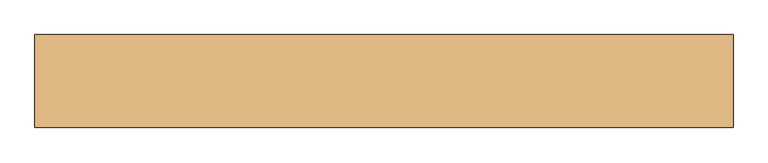
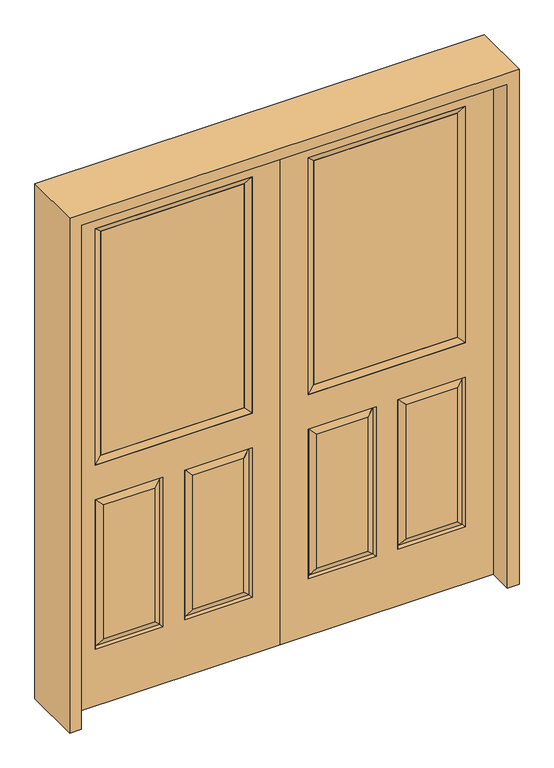
"""IFC4 building model written with IfcOpenShell, lengths in millimetres: door geometry."""

import ifcopenshell
import ifcopenshell.guid

model = None  # the IFC model being written
_history = None  # IfcOwnerHistory: only IFC2X3 demands one
_inside = {}  # id of a spatial element -> (the spatial element, [elements in it])
_under = {}  # id of a project, library or spatial element -> (it, [spatial elements below it])
_declared = {}  # id of a project -> (the project, [libraries it declares])
_typed = {}  # id of a type object -> (the type object, [elements of that type])
_made_of = {}  # id of a material, layer set ... -> (it, [elements and type objects made of it])


def new_model(schema):
    """Start an empty IFC model of exactly this schema.

    Asked for "IFC4X3", IfcOpenShell would pick the latest addendum, in which some entities
    have other attributes; the version numbers below select the first issue.
    IFC2X3 requires an IfcOwnerHistory on every rooted entity: one is made here for all.
    """
    global model, _history
    if schema == "IFC4X3":
        model = ifcopenshell.file(schema_version=(4, 3, 0, 0))
    else:
        model = ifcopenshell.file(schema=schema)
    _inside.clear()
    _under.clear()
    _declared.clear()
    _typed.clear()
    _made_of.clear()
    _history = None
    if model.schema == "IFC2X3":
        org = make("IfcOrganization", Name="unknown")
        user = make(
            "IfcPersonAndOrganization",
            ThePerson=make("IfcPerson", FamilyName="unknown"),
            TheOrganization=org,
        )
        app = make(
            "IfcApplication",
            ApplicationDeveloper=org,
            Version="unknown",
            ApplicationFullName="unknown",
            ApplicationIdentifier="unknown",
        )
        _history = make(
            "IfcOwnerHistory",
            OwningUser=user,
            OwningApplication=app,
            ChangeAction="ADDED",
            CreationDate=0,
        )
    return model


def make(cls, **values):
    """One entity of the class cls with the attributes given. An attribute that is None is left unset."""
    return model.create_entity(
        cls, **{name: value for name, value in values.items() if value is not None}
    )


def rooted(cls, **values):
    """An entity with a GlobalId (a new one), such as an element, a storey or a relation."""
    return make(cls, GlobalId=ifcopenshell.guid.new(), OwnerHistory=_history, **values)


def si_unit(unit_type, name, prefix=None):
    """IfcSIUnit, for example si_unit("LENGTHUNIT", "METRE", prefix="MILLI")."""
    return make("IfcSIUnit", UnitType=unit_type, Prefix=prefix, Name=name)


def assignment(units):
    """IfcUnitAssignment: the units of a project."""
    return None if units is None else make("IfcUnitAssignment", Units=units)


def point(xyz):
    """IfcCartesianPoint."""
    return None if xyz is None else make("IfcCartesianPoint", Coordinates=xyz)


def direction(xyz):
    """IfcDirection."""
    return None if xyz is None else make("IfcDirection", DirectionRatios=xyz)


def frame(location, z_axis=None, x_axis=None):
    """IfcAxis2Placement3D, a coordinate frame: its origin and axes. An axis left out is left unset."""
    return make(
        "IfcAxis2Placement3D",
        Location=point(location),
        Axis=direction(z_axis),
        RefDirection=direction(x_axis),
    )


def origin():
    """The frame at (0, 0, 0) with its axes left unset."""
    return frame((0.0, 0.0, 0.0))


def place(relative_to, where):
    """IfcLocalPlacement: puts the frame where relative to a parent placement (None: the world)."""
    return make(
        "IfcLocalPlacement", PlacementRelTo=relative_to, RelativePlacement=where
    )


def context(
    kind, dimensions, precision=None, world=None, true_north=None, identifier=None
):
    """IfcGeometricRepresentationContext, for example the 3D "Model" context."""
    return make(
        "IfcGeometricRepresentationContext",
        ContextIdentifier=identifier,
        ContextType=kind,
        CoordinateSpaceDimension=dimensions,
        Precision=precision,
        WorldCoordinateSystem=world,
        TrueNorth=true_north,
    )


def project(units=None, contexts=None):
    """IfcProject with its units and contexts."""
    return rooted(
        "IfcProject",
        Name="project",
        RepresentationContexts=contexts,
        UnitsInContext=assignment(units),
    )


def spatial(cls, under=None, at=None, **own):
    """A site, building, storey or space (cls), placed at a placement, below another one or the project."""
    s = rooted(cls, ObjectPlacement=at, **own)
    if under is not None:
        _under.setdefault(under.id(), (under, []))[1].append(s)
    return s


def polyline(points):
    """IfcPolyline through the points."""
    return make("IfcPolyline", Points=[point(p) for p in points])


def outline(outer, holes=None, kind="AREA"):
    """IfcArbitraryClosedProfileDef: a profile drawn as a closed curve; with holes, ...WithVoids."""
    if holes is None:
        return make("IfcArbitraryClosedProfileDef", ProfileType=kind, OuterCurve=outer)
    return make(
        "IfcArbitraryProfileDefWithVoids",
        ProfileType=kind,
        OuterCurve=outer,
        InnerCurves=holes,
    )


def extrude(swept, where, along, depth):
    """IfcExtrudedAreaSolid: the profile swept, set in the frame where, extruded along a direction by depth."""
    return make(
        "IfcExtrudedAreaSolid",
        SweptArea=swept,
        Position=where,
        ExtrudedDirection=direction(along),
        Depth=depth,
    )


def faces_of(points, faces, orient=None, outer=None):
    """IfcFace entities. A face is a list of loops; a loop is a list of indices into points, from 0.

    orient and outer hold one flag for each loop. By default every Orientation is true, the
    first loop of a face is its IfcFaceOuterBound and the others are IfcFaceBound.
    """
    made = []
    for i, loops in enumerate(faces):
        bounds = []
        for j, loop in enumerate(loops):
            is_outer = j == 0 if outer is None else outer[i][j]
            bounds.append(
                make(
                    "IfcFaceOuterBound" if is_outer else "IfcFaceBound",
                    Bound=make("IfcPolyLoop", Polygon=[points[k] for k in loop]),
                    Orientation=True if orient is None else orient[i][j],
                )
            )
        made.append(make("IfcFace", Bounds=bounds))
    return made


def faceted_brep(points, faces, orient=None, outer=None, voids=None):
    """IfcFacetedBrep: a solid bounded by flat faces; with voids (closed shells), ...WithVoids."""
    shared = [point(p) for p in points]
    hull = make("IfcClosedShell", CfsFaces=faces_of(shared, faces, orient, outer))
    if voids is None:
        return make("IfcFacetedBrep", Outer=hull)
    return make(
        "IfcFacetedBrepWithVoids",
        Outer=hull,
        Voids=[
            make(cls, CfsFaces=faces_of(shared, fs, o, b)) for cls, fs, o, b in voids
        ],
    )


def shape(context_of_items, identifier, shape_type, items):
    """IfcShapeRepresentation: the items that make up one representation, for example the "Body"."""
    return make(
        "IfcShapeRepresentation",
        ContextOfItems=context_of_items,
        RepresentationIdentifier=identifier,
        RepresentationType=shape_type,
        Items=items,
    )


def source(mapping_origin, context_of_items, identifier, shape_type, items):
    """IfcRepresentationMap: a shape defined once, which mapped items show again and again."""
    return make(
        "IfcRepresentationMap",
        MappingOrigin=mapping_origin,
        MappedRepresentation=shape(context_of_items, identifier, shape_type, items),
    )


def transform(
    local_origin,
    x_axis=None,
    y_axis=None,
    z_axis=None,
    scale=None,
    scale2=None,
    scale3=None,
    uniform=True,
):
    """IfcCartesianTransformationOperator3D, or its non-uniform kind. x_axis, y_axis, z_axis: its Axis1, 2, 3."""
    if uniform:
        return make(
            "IfcCartesianTransformationOperator3D",
            Axis1=direction(x_axis),
            Axis2=direction(y_axis),
            LocalOrigin=point(local_origin),
            Scale=scale,
            Axis3=direction(z_axis),
        )
    return make(
        "IfcCartesianTransformationOperator3DnonUniform",
        Axis1=direction(x_axis),
        Axis2=direction(y_axis),
        LocalOrigin=point(local_origin),
        Scale=scale,
        Axis3=direction(z_axis),
        Scale2=scale2,
        Scale3=scale3,
    )


def mapped(mapping_source, mapping_target):
    """IfcMappedItem: shows the shape of a source again, moved by a transform."""
    return make(
        "IfcMappedItem", MappingSource=mapping_source, MappingTarget=mapping_target
    )


def made_of(thing, what):
    """Note that an element or type object is made of a material, layer set ...; save() writes the relation."""
    if what is not None:
        _made_of.setdefault(what.id(), (what, []))[1].append(thing)
    return thing


def element(
    cls,
    number,
    at=None,
    inside=None,
    cuts=None,
    type_object=None,
    material=None,
    context=None,
    identifier="Body",
    shape_type=None,
    held_by="IfcProductDefinitionShape",
    body=None,
    shapes=None,
    **own,
):
    """One element of the class cls, such as IfcWall. Its Tag is "e" and its number.

    at: its placement. inside: the storey or other place that contains it. cuts: it is an
    opening in that element (IfcRelVoidsElement). A single representation is given by context,
    identifier, shape_type and body (its items); several are given by shapes. held_by: the class
    of the entity that holds the representations. save() writes the other relations.
    """
    e = rooted(cls, Tag="e%d" % number, ObjectPlacement=at, **own)
    if body is not None:
        shapes = [shape(context, identifier, shape_type, body)]
    if shapes is not None:
        e.Representation = make(held_by, Representations=shapes)
    if inside is not None:
        _inside.setdefault(inside.id(), (inside, []))[1].append(e)
    if cuts is not None:
        rooted(
            "IfcRelVoidsElement", RelatingBuildingElement=cuts, RelatedOpeningElement=e
        )
    if type_object is not None:
        _typed.setdefault(type_object.id(), (type_object, []))[1].append(e)
    return made_of(e, material)


def aggregate(whole, parts):
    """IfcRelAggregates: a whole, such as a stair, and the parts it consists of."""
    return rooted("IfcRelAggregates", RelatingObject=whole, RelatedObjects=parts)


def save(model, path):
    """Write the relations noted so far, then the file.

    IfcRelAggregates (storeys below a building ...), IfcRelContainedInSpatialStructure (elements
    in a storey), IfcRelDefinesByType, IfcRelAssociatesMaterial and IfcRelDeclares: one each for
    every whole, place, type object, material and project.
    """
    for whole, parts in _under.values():
        aggregate(whole, parts)
    for where, things in _inside.values():
        rooted(
            "IfcRelContainedInSpatialStructure",
            RelatedElements=things,
            RelatingStructure=where,
        )
    for kind, things in _typed.values():
        rooted("IfcRelDefinesByType", RelatedObjects=things, RelatingType=kind)
    for what, things in _made_of.values():
        rooted("IfcRelAssociatesMaterial", RelatedObjects=things, RelatingMaterial=what)
    for by, libraries in _declared.values():
        rooted("IfcRelDeclares", RelatingContext=by, RelatedDefinitions=libraries)
    model.write(path)


def door_9ffd7a18(model_context):
    return source(origin(), model_context, "Body", "SolidModel", [
        faceted_brep([(812.8, -22.225, 0.0), (812.8, -22.225, 2032.0), (0.0, -22.225, 2032.0), (0.0, -22.225, 0.0), (705.739, -22.225, 971.55), (107.061, -22.225, 971.55), (107.061, -22.225, 1925.574), (705.739, -22.225, 1925.574), (705.739, -22.225, 831.85), (705.739, -22.225, 228.6), (447.675, -22.225, 228.6), (447.675, -22.225, 831.85), (365.125, -22.225, 831.85), (365.125, -22.225, 228.6), (107.061, -22.225, 228.6), (107.061, -22.225, 831.85), (479.425, -22.225, 800.1), (479.425, -22.225, 260.35), (673.989, -22.225, 260.35), (673.989, -22.225, 800.1), (138.811, -22.225, 800.1), (138.811, -22.225, 260.35), (333.375, -22.225, 260.35), (333.375, -22.225, 800.1), (0.0, 22.225, 0.0), (812.8, 22.225, 0.0), (0.0, 22.225, 2032.0), (812.8, 22.225, 2032.0), (705.739, 22.225, 1925.574), (705.739, 22.225, 971.55), (107.061, 22.225, 971.55), (107.061, 22.225, 1925.574), (698.59525, -12.7449236, 824.70625), (454.81875, -12.7449236, 824.70625), (698.59525, -12.7449236, 235.74375), (454.81875, -12.7449236, 235.74375), (114.20475, -12.7449236, 824.70625), (357.98125, -12.7449236, 824.70625), (357.98125, -12.7449236, 235.74375), (114.20475, -12.7449236, 235.74375), (447.675, 22.225, 831.85), (447.675, 22.225, 228.6), (705.739, 22.225, 228.6), (705.739, 22.225, 831.85), (107.061, 22.225, 831.85), (107.061, 22.225, 228.6), (365.125, 22.225, 228.6), (365.125, 22.225, 831.85), (673.989, 22.225, 800.1), (673.989, 22.225, 260.35), (479.425, 22.225, 260.35), (479.425, 22.225, 800.1), (333.375, 22.225, 800.1), (333.375, 22.225, 260.35), (138.811, 22.225, 260.35), (138.811, 22.225, 800.1), (698.59525, 12.7449236, 824.70625), (454.81875, 12.7449236, 824.70625), (454.81875, 12.7449236, 235.74375), (698.59525, 12.7449236, 235.74375), (114.20475, 12.7449236, 824.70625), (357.98125, 12.7449236, 824.70625), (114.20475, 12.7449236, 235.74375), (357.98125, 12.7449236, 235.74375)], [[[0, 1, 2, 3], [4, 5, 6, 7], [8, 9, 10, 11], [12, 13, 14, 15]], [[16, 17, 18, 19]], [[20, 21, 22, 23]], [[3, 24, 25, 0]], [[2, 26, 24, 3]], [[0, 25, 27, 1]], [[7, 28, 29, 4]], [[5, 30, 31, 6]], [[4, 29, 30, 5]], [[16, 19, 32, 33]], [[19, 18, 34, 32]], [[35, 34, 18, 17]], [[33, 35, 17, 16]], [[32, 8, 11, 33]], [[11, 10, 35, 33]], [[10, 9, 34, 35]], [[32, 34, 9, 8]], [[36, 20, 23, 37]], [[23, 22, 38, 37]], [[22, 21, 39, 38]], [[36, 39, 21, 20]], [[37, 12, 15, 36]], [[15, 14, 39, 36]], [[38, 39, 14, 13]], [[37, 38, 13, 12]], [[25, 24, 26, 27], [29, 28, 31, 30], [40, 41, 42, 43], [44, 45, 46, 47]], [[48, 49, 50, 51]], [[52, 53, 54, 55]], [[56, 48, 51, 57]], [[51, 50, 58, 57]], [[50, 49, 59, 58]], [[56, 59, 49, 48]], [[57, 40, 43, 56]], [[43, 42, 59, 56]], [[58, 59, 42, 41]], [[57, 58, 41, 40]], [[52, 55, 60, 61]], [[55, 54, 62, 60]], [[63, 62, 54, 53]], [[61, 63, 53, 52]], [[60, 44, 47, 61]], [[47, 46, 63, 61]], [[46, 45, 62, 63]], [[60, 62, 45, 44]], [[1, 27, 26, 2]], [[6, 31, 28, 7]]]),
        extrude(outline(polyline([(132.461, -12.7), (132.461, 12.7), (680.339, 12.7), (680.339, -12.7), (132.461, -12.7)])), frame((0.0, 0.0, 996.95), z_axis=(0.0, 0.0, 1.0), x_axis=(1.0, 0.0, 0.0)), (0.0, 0.0, 1.0), 903.224),
        faceted_brep([(705.739, -22.225, 1925.574), (705.739, -22.225, 971.55), (705.739, 22.225, 971.55), (705.739, 22.225, 1925.574), (107.061, -22.225, 971.55), (107.061, 22.225, 971.55), (132.461, 12.7, 996.95), (680.339, 12.7, 996.95), (107.061, -22.225, 1925.574), (107.061, 22.225, 1925.574), (680.339, -12.7, 996.95), (132.461, -12.7, 996.95), (680.339, -12.7, 1900.174), (132.461, -12.7, 1900.174), (680.339, 12.7, 1900.174), (132.461, 12.7, 1900.174)], [[[0, 1, 2, 3]], [[1, 4, 5, 2]], [[2, 5, 6, 7]], [[4, 8, 9, 5]], [[10, 11, 4, 1]], [[12, 10, 1, 0]], [[11, 13, 8, 4]], [[7, 6, 11, 10]], [[14, 7, 10, 12]], [[6, 15, 13, 11]], [[3, 2, 7, 14]], [[5, 9, 15, 6]], [[8, 0, 3, 9]], [[13, 12, 0, 8]], [[15, 14, 12, 13]], [[9, 3, 14, 15]]]),
        faceted_brep([(-812.8, -22.225, 0.0), (0.0, -22.225, 0.0), (0.0, -22.225, 2032.0), (-812.8, -22.225, 2032.0), (-705.739, -22.225, 971.55), (-705.739, -22.225, 1925.574), (-107.061, -22.225, 1925.574), (-107.061, -22.225, 971.55), (-705.739, -22.225, 831.85), (-447.675, -22.225, 831.85), (-447.675, -22.225, 228.6), (-705.739, -22.225, 228.6), (-365.125, -22.225, 831.85), (-107.061, -22.225, 831.85), (-107.061, -22.225, 228.6), (-365.125, -22.225, 228.6), (-479.425, -22.225, 800.1), (-673.989, -22.225, 800.1), (-673.989, -22.225, 260.35), (-479.425, -22.225, 260.35), (-138.811, -22.225, 800.1), (-333.375, -22.225, 800.1), (-333.375, -22.225, 260.35), (-138.811, -22.225, 260.35), (-812.8, 22.225, 0.0), (0.0, 22.225, 0.0), (0.0, 22.225, 2032.0), (-812.8, 22.225, 2032.0), (-705.739, 22.225, 971.55), (-705.739, 22.225, 1925.574), (-107.061, 22.225, 1925.574), (-107.061, 22.225, 971.55), (-454.81875, -12.7449236, 824.70625), (-698.59525, -12.7449236, 824.70625), (-698.59525, -12.7449236, 235.74375), (-454.81875, -12.7449236, 235.74375), (-114.20475, -12.7449236, 824.70625), (-357.98125, -12.7449236, 824.70625), (-357.98125, -12.7449236, 235.74375), (-114.20475, -12.7449236, 235.74375), (-447.675, 22.225, 831.85), (-705.739, 22.225, 831.85), (-705.739, 22.225, 228.6), (-447.675, 22.225, 228.6), (-107.061, 22.225, 831.85), (-365.125, 22.225, 831.85), (-365.125, 22.225, 228.6), (-107.061, 22.225, 228.6), (-673.989, 22.225, 800.1), (-479.425, 22.225, 800.1), (-479.425, 22.225, 260.35), (-673.989, 22.225, 260.35), (-333.375, 22.225, 800.1), (-138.811, 22.225, 800.1), (-138.811, 22.225, 260.35), (-333.375, 22.225, 260.35), (-698.59525, 12.7449236, 824.70625), (-454.81875, 12.7449236, 824.70625), (-454.81875, 12.7449236, 235.74375), (-698.59525, 12.7449236, 235.74375), (-357.98125, 12.7449236, 824.70625), (-114.20475, 12.7449236, 824.70625), (-114.20475, 12.7449236, 235.74375), (-357.98125, 12.7449236, 235.74375)], [[[0, 1, 2, 3], [4, 5, 6, 7], [8, 9, 10, 11], [12, 13, 14, 15]], [[16, 17, 18, 19]], [[20, 21, 22, 23]], [[1, 0, 24, 25]], [[2, 1, 25, 26]], [[0, 3, 27, 24]], [[5, 4, 28, 29]], [[7, 6, 30, 31]], [[4, 7, 31, 28]], [[16, 32, 33, 17]], [[17, 33, 34, 18]], [[35, 19, 18, 34]], [[32, 16, 19, 35]], [[33, 32, 9, 8]], [[9, 32, 35, 10]], [[10, 35, 34, 11]], [[33, 8, 11, 34]], [[36, 37, 21, 20]], [[21, 37, 38, 22]], [[22, 38, 39, 23]], [[36, 20, 23, 39]], [[37, 36, 13, 12]], [[13, 36, 39, 14]], [[38, 15, 14, 39]], [[37, 12, 15, 38]], [[24, 27, 26, 25], [28, 31, 30, 29], [40, 41, 42, 43], [44, 45, 46, 47]], [[48, 49, 50, 51]], [[52, 53, 54, 55]], [[56, 57, 49, 48]], [[49, 57, 58, 50]], [[50, 58, 59, 51]], [[56, 48, 51, 59]], [[57, 56, 41, 40]], [[41, 56, 59, 42]], [[58, 43, 42, 59]], [[57, 40, 43, 58]], [[52, 60, 61, 53]], [[53, 61, 62, 54]], [[63, 55, 54, 62]], [[60, 52, 55, 63]], [[61, 60, 45, 44]], [[45, 60, 63, 46]], [[46, 63, 62, 47]], [[61, 44, 47, 62]], [[3, 2, 26, 27]], [[6, 5, 29, 30]]]),
        extrude(outline(polyline([(-132.461, -12.7), (-680.339, -12.7), (-680.339, 12.7), (-132.461, 12.7), (-132.461, -12.7)])), frame((0.0, 0.0, 996.95), z_axis=(0.0, 0.0, 1.0), x_axis=(1.0, 0.0, 0.0)), (0.0, 0.0, 1.0), 903.224),
        faceted_brep([(-705.739, -22.225, 1925.574), (-705.739, 22.225, 1925.574), (-705.739, 22.225, 971.55), (-705.739, -22.225, 971.55), (-107.061, 22.225, 971.55), (-107.061, -22.225, 971.55), (-680.339, 12.7, 996.95), (-132.461, 12.7, 996.95), (-107.061, 22.225, 1925.574), (-107.061, -22.225, 1925.574), (-680.339, -12.7, 996.95), (-132.461, -12.7, 996.95), (-680.339, -12.7, 1900.174), (-132.461, -12.7, 1900.174), (-680.339, 12.7, 1900.174), (-132.461, 12.7, 1900.174)], [[[0, 1, 2, 3]], [[3, 2, 4, 5]], [[2, 6, 7, 4]], [[5, 4, 8, 9]], [[10, 3, 5, 11]], [[12, 0, 3, 10]], [[11, 5, 9, 13]], [[6, 10, 11, 7]], [[14, 12, 10, 6]], [[7, 11, 13, 15]], [[1, 14, 6, 2]], [[4, 7, 15, 8]], [[9, 8, 1, 0]], [[13, 9, 0, 12]], [[15, 13, 12, 14]], [[8, 15, 14, 1]]]),
        extrude(outline(polyline([(0.0, -857.25), (0.0, -812.8), (2032.0, -812.8), (2032.0, 812.8), (0.0, 812.8), (0.0, 857.25), (2076.45, 857.25), (2076.45, -857.25), (0.0, -857.25)])), frame((0.0, -114.3, 0.0), z_axis=(0.0, 1.0, 0.0), x_axis=(0.0, 0.0, 1.0)), (0.0, 0.0, 1.0), 228.6),
    ])


if __name__ == "__main__":
    model = new_model("IFC4")
    model_context = context("Model", 3, world=origin())
    ifc_project = project(units=[si_unit("LENGTHUNIT", "METRE", prefix="MILLI")], contexts=[model_context])
    site = spatial("IfcSite", under=ifc_project)
    building = spatial("IfcBuilding", under=site)
    placement = place(None, origin())
    door_shape = door_9ffd7a18(model_context)
    element("IfcDoor", 1, at=placement, inside=building, context=model_context, shape_type="MappedRepresentation", body=[
        mapped(door_shape, transform((0.0, 0.0, 0.0), x_axis=(1.0, 0.0, 0.0), y_axis=(0.0, 1.0, 0.0), z_axis=(0.0, 0.0, 1.0))),
    ])
    save(model, "model.ifc")
